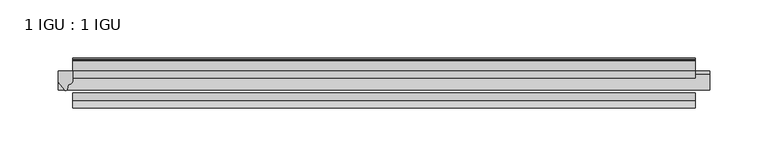
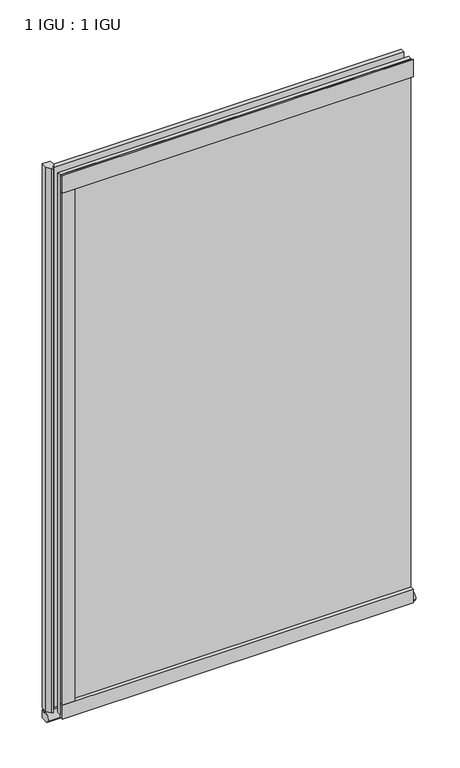
"""IFC4 building model written with IfcOpenShell, lengths in millimetres: plate geometry, 1 IGU : 1 IGU."""

from ifc_helpers import new_model, si_unit, point, frame, frame_2d, origin, place, context, project, spatial, polyline, circle_curve, ellipse_curve, trimmed, segment, composite_curve, outline, extrude, source, transform, mapped, element, save
from ifc_brep_helpers import plane_surface, revolved_surface, extruded_surface, advanced_brep


def plate_1_igu_1_igu_dc598836(model_context):
    return source(origin(), model_context, "Body", "SolidModel", [
        extrude(outline(polyline([(267.4388701, 0.0021347), (267.4388701, -6.2992), (-267.4388701, -6.2992), (-267.4388701, 0.0021347), (267.4388701, 0.0021347)])), frame((0.0, 0.0, -19.05), z_axis=(0.0, 0.0, 1.0), x_axis=(1.0, 0.0, 0.0)), (0.0, 0.0, 1.0), 869.9368072),
        extrude(outline(polyline([(-267.4388701, -19.0986653), (267.4388701, -19.0986653), (267.4388701, -25.3978653), (-267.4388701, -25.3978653), (-267.4388701, -19.0986653)])), frame((0.0, 0.0, -19.05), z_axis=(0.0, 0.0, 1.0), x_axis=(1.0, 0.0, 0.0)), (0.0, 0.0, 1.0), 869.9368072),
        advanced_brep(
        [(280.1388701, -2.9334208, -29.3692082), (280.1388701, -15.7658436, -30.8313288), (280.1388701, -6.7904952, -34.925), (280.1388701, 0.0, -34.925), (280.1388701, 0.0, -22.225), (280.1388701, -2.5187477, -22.225), (-280.1388701, -2.9073519, -29.3720514), (-280.1388701, -2.5187477, -22.225), (-280.1388701, 0.0, -22.225), (-280.1388701, 0.0, -34.925), (-280.1388701, -6.7904952, -34.925), (-280.1388701, -15.7658436, -30.8313288)],
        [
            (0, 1, ellipse_curve(frame((280.1388701, -9.5065066, -28.575), z_axis=(1.0, 0.0, 0.0), x_axis=(0.0, 0.0, -1.0)), 6.9638038, 6.6162554)),
            (1, 2, ellipse_curve(frame((280.1388701, -9.5065066, -28.575), z_axis=(1.0, 0.0, 0.0), x_axis=(0.0, 0.0, -1.0)), 6.9638038, 6.6162554)),
            (2, 3),
            (3, 4, circle_curve(frame((280.1388701, 24.1576838, -28.575), z_axis=(-1.0, 0.0, 0.0), x_axis=(0.0, 0.0, 1.0)), 24.9783143)),
            (4, 5),
            (5, 0, circle_curve(frame((280.1388701, -68.4358767, -22.225), z_axis=(-1.0, 0.0, 0.0), x_axis=(0.0, 0.0, 1.0)), 65.917129)),
            (6, 7, circle_curve(frame((-280.1388701, -68.4358767, -22.225), z_axis=(1.0, 0.0, 0.0), x_axis=(0.0, 0.0, 1.0)), 65.917129)),
            (7, 8),
            (8, 9, circle_curve(frame((-280.1388701, 24.1576838, -28.575), z_axis=(1.0, 0.0, 0.0), x_axis=(0.0, 0.0, 1.0)), 24.9783143)),
            (9, 10),
            (10, 11, ellipse_curve(frame((-280.1388701, -9.5065066, -28.575), z_axis=(-1.0, 0.0, 0.0), x_axis=(0.0, 0.0, -1.0)), 6.9638038, 6.6162554)),
            (11, 6, ellipse_curve(frame((-280.1388701, -9.5065066, -28.575), z_axis=(-1.0, 0.0, 0.0), x_axis=(0.0, 0.0, -1.0)), 6.9638038, 6.6162554)),
            (0, 6),
            (11, 1),
            (10, 2),
            (9, 3),
            (8, 4),
            (7, 5),
        ],
        [
            plane_surface(frame((280.1388701, 0.0, -28.575), z_axis=(1.0, 0.0, 0.0), x_axis=(0.0, 1.0, 0.0))),
            plane_surface(frame((-280.1388701, 0.0, -28.575), z_axis=(-1.0, 0.0, 0.0), x_axis=(0.0, 1.0, 0.0))),
            extruded_surface(trimmed(ellipse_curve(frame((-280.1388701, -9.5065066, -28.575), z_axis=(1.0, 0.0, 0.0), x_axis=(0.0, 0.0, -1.0)), 6.9638038, 6.6162554), [point((-280.1388701, -2.9334208, -29.3692082))], [point((-280.1388701, -15.7658436, -30.8313288))], True, "CARTESIAN"), (560.2777402, 0.0, 0.0), 560.2777402),
            extruded_surface(trimmed(ellipse_curve(frame((-280.1388701, -9.5065066, -28.575), z_axis=(1.0, 0.0, 0.0), x_axis=(0.0, 0.0, -1.0)), 6.9638038, 6.6162554), [point((-280.1388701, -15.7658436, -30.8313288))], [point((-280.1388701, -6.7904952, -34.925))], True, "CARTESIAN"), (560.2777402, 0.0, 0.0), 560.2777402),
            plane_surface(frame((280.1388701, -6.7904952, -34.925), z_axis=(0.0, 0.0, -1.0), x_axis=(-1.0, 0.0, 0.0))),
            revolved_surface(polyline([(-280.1388701, 24.1576838, -3.5966856999999983), (280.1388701, 24.1576838, -3.5966856999999983)]), (280.1388701, 24.1576838, -28.575), (-1.0, 0.0, 0.0)),
            plane_surface(frame((280.1388701, 0.0, -22.225), z_axis=(0.0, 0.0, 1.0), x_axis=(-1.0, 0.0, 0.0))),
            revolved_surface(polyline([(-280.1388701, -68.4358767, 43.692129), (280.1388701, -68.4358767, 43.692129)]), (280.1388701, -68.4358767, -22.225), (-1.0, 0.0, 0.0)),
        ],
        [
            (0, [[1, 2, 3, 4, 5, 6]]),
            (1, [[7, 8, 9, 10, 11, 12]]),
            (2, [[-1, 13, -12, 14]]),
            (3, [[-2, -14, -11, 15]]),
            (4, [[-3, -15, -10, 16]]),
            (5, [[-4, -16, -9, 17]]),
            (6, [[-5, -17, -8, 18]]),
            (7, [[-6, -18, -7, -13]]),
        ],
    ),
        extrude(outline(composite_curve([segment(polyline([(-267.4388701, 8.8e-06), (-267.4388701, -7.7683362)]), True, "CONTINUOUS"), segment(trimmed(circle_curve(frame_2d((-271.410368, -7.7683362)), 3.9714979), [point((-267.4388701, -7.7683362))], [point((-271.5378198, -11.7377885))], False, "CARTESIAN"), True, "CONTINUOUS"), segment(polyline([(-271.5378198, -11.7377885), (-272.5178544, -16.012436)]), True, "CONTINUOUS"), segment(trimmed(circle_curve(frame_2d((-273.6190634, -15.7723555)), 1.1270758), [point((-272.5178544, -16.012436))], [point((-274.5729028, -16.372764))], False, "CARTESIAN"), True, "CONTINUOUS"), segment(polyline([(-274.5729028, -16.372764), (-280.1388701, -9.7395025), (-280.1388701, 8.8e-06), (-267.4388701, 8.8e-06)]), True, "CONTINUOUS")], self_intersect=False)), frame((0.0, 0.0, -19.05), z_axis=(0.0, 0.0, 1.0), x_axis=(1.0, 0.0, 0.0)), (0.0, 0.0, 1.0), 877.0742072),
        extrude(outline(composite_curve([segment(polyline([(-31.75, 0.0), (-25.4, 0.0), (-25.4, -22.225)]), True, "CONTINUOUS"), segment(trimmed(circle_curve(frame_2d((-28.575, -28.9113452)), 7.4018806), [point((-25.4, -22.225))], [point((-31.75, -22.225))], True, "CARTESIAN"), True, "CONTINUOUS"), segment(polyline([(-31.75, -22.225), (-31.75, 0.0)]), True, "CONTINUOUS")], self_intersect=False)), frame((-267.4388701, 0.0, 0.0), z_axis=(1.0, 0.0, 0.0), x_axis=(0.0, 1.0, 0.0)), (0.0, 0.0, 1.0), 534.8777402),
        extrude(outline(composite_curve([segment(polyline([(8.509, 840.7300284), (8.509, 838.6980284), (6.35, 838.6980284), (6.35, 833.3640284), (8.9492698, 833.3640284)]), True, "CONTINUOUS"), segment(trimmed(circle_curve(frame_2d((8.208689, 831.8368072)), 1.697311), [point((8.9492698, 833.3640284))], [point((8.962411, 830.3160284))], False, "CARTESIAN"), True, "CONTINUOUS"), segment(polyline([(8.962411, 830.3160284), (6.35, 830.3160284), (6.35, 825.4868072), (11.1252, 825.4868072), (11.1252, 824.5978072)]), True, "CONTINUOUS"), segment(trimmed(circle_curve(frame_2d((10.1092, 824.5978072)), 1.016), [point((11.1252, 824.5978072))], [point((10.1092, 823.5818072))], False, "CARTESIAN"), True, "CONTINUOUS"), segment(trimmed(circle_curve(frame_2d((10.1092, 804.1707318)), 19.4110754), [point((10.1092, 823.5818072))], [point((0.0, 820.7416075))], True, "CARTESIAN"), True, "CONTINUOUS"), segment(polyline([(0.0, 820.7416075), (0.0, 840.7300284), (8.509, 840.7300284)]), True, "CONTINUOUS")], self_intersect=False)), frame((-267.4388701, 0.0, 0.0), z_axis=(1.0, 0.0, 0.0), x_axis=(0.0, 1.0, 0.0)), (0.0, 0.0, 1.0), 534.8777402),
        extrude(outline(composite_curve([segment(polyline([(-25.4, 850.8868072), (-25.4, 825.4868072), (-31.75, 825.4868072), (-31.75, 853.6597045)]), True, "CONTINUOUS"), segment(trimmed(circle_curve(frame_2d((-24.1401272, 862.4292187)), 11.6109665), [point((-31.75, 853.6597045))], [point((-25.4, 850.8868072))], True, "CARTESIAN"), True, "CONTINUOUS")], self_intersect=False)), frame((-267.4388701, 0.0, 0.0), z_axis=(1.0, 0.0, 0.0), x_axis=(0.0, 1.0, 0.0)), (0.0, 0.0, 1.0), 534.8777402),
        extrude(outline(composite_curve([segment(trimmed(circle_curve(frame_2d((-276.9050208, -28.575)), 9.9844196), [point((-267.4388701, -31.75))], [point((-267.4388701, -25.4))], True, "CARTESIAN"), True, "CONTINUOUS"), segment(polyline([(-267.4388701, -25.4), (-248.3888701, -25.4), (-248.3888701, -31.75), (-267.4388701, -31.75)]), True, "CONTINUOUS")], self_intersect=False)), frame((0.0, 0.0, -19.05), z_axis=(0.0, 0.0, 1.0), x_axis=(1.0, 0.0, 0.0)), (0.0, 0.0, 1.0), 869.9368072),
    ])


if __name__ == "__main__":
    model = new_model("IFC4")
    model_context = context("Model", 3, world=origin())
    ifc_project = project(units=[si_unit("LENGTHUNIT", "METRE", prefix="MILLI")], contexts=[model_context])
    site = spatial("IfcSite", under=ifc_project)
    building = spatial("IfcBuilding", under=site)
    placement = place(None, origin())
    plate_1_igu_1_igu_shape = plate_1_igu_1_igu_dc598836(model_context)
    element("IfcPlate", 1, ObjectType="1 IGU : 1 IGU", at=placement, inside=building, context=model_context, shape_type="MappedRepresentation", body=[
        mapped(plate_1_igu_1_igu_shape, transform((0.0, 0.0, 0.0), x_axis=(1.0, 0.0, 0.0), y_axis=(0.0, 1.0, 0.0), z_axis=(0.0, 0.0, 1.0))),
    ])
    save(model, "model.ifc")
